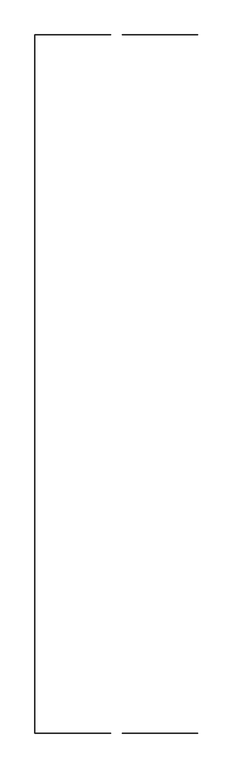
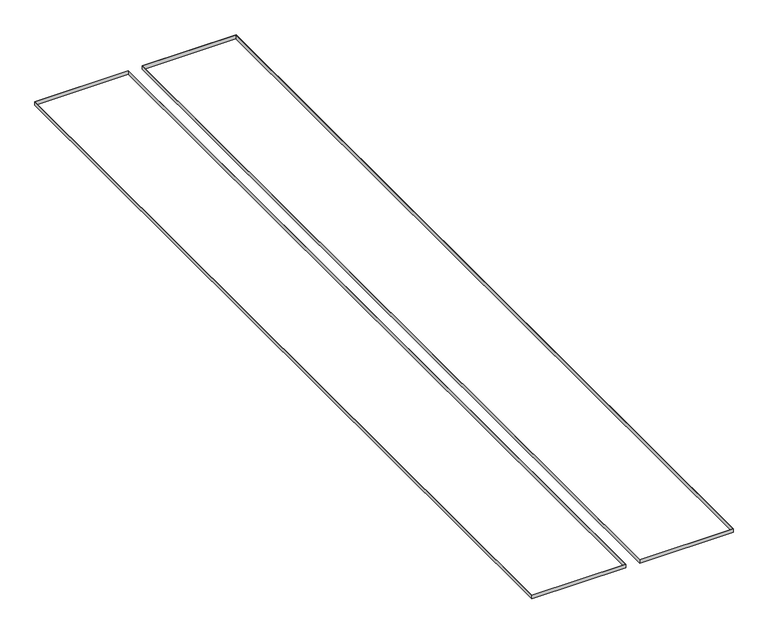
"""IFC4 building model written with IfcOpenShell, lengths in millimetres: furniture geometry."""

from ifc_helpers import new_model, si_unit, frame, origin, place, context, project, spatial, polyline, outline, extrude, source, transform, mapped, element, save


def furniture_3c339b53(model_context):
    return source(origin(), model_context, "Body", "SweptSolid", [
        extrude(outline(polyline([(43386.2482107, 10869.72759), (42723.8482107, 10869.72759), (42723.8482107, 16967.72759), (43386.2482107, 16967.72759), (43386.2482107, 10869.72759)]), holes=[polyline([(43385.2482107, 16966.72759), (42724.8482107, 16966.72759), (42724.8482107, 10870.72759), (43385.2482107, 10870.72759), (43385.2482107, 16966.72759)])]), frame((0.0, 0.0, 709.6), z_axis=(0.0, 0.0, 1.0), x_axis=(1.0, 0.0, 0.0)), (0.0, 0.0, 1.0), 27.0),
        extrude(outline(polyline([(42624.2482107, 10869.72759), (41961.8482107, 10869.72759), (41961.8482107, 16967.72759), (42624.2482107, 16967.72759), (42624.2482107, 10869.72759)]), holes=[polyline([(42623.2482107, 16966.72759), (41962.8482107, 16966.72759), (41962.8482107, 10870.72759), (42623.2482107, 10870.72759), (42623.2482107, 16966.72759)])]), frame((0.0, 0.0, 709.6), z_axis=(0.0, 0.0, 1.0), x_axis=(1.0, 0.0, 0.0)), (0.0, 0.0, 1.0), 27.0),
    ])


if __name__ == "__main__":
    model = new_model("IFC4")
    model_context = context("Model", 3, world=origin())
    ifc_project = project(units=[si_unit("LENGTHUNIT", "METRE", prefix="MILLI")], contexts=[model_context])
    site = spatial("IfcSite", under=ifc_project)
    building = spatial("IfcBuilding", under=site)
    placement = place(None, origin())
    furniture_shape = furniture_3c339b53(model_context)
    element("IfcFurniture", 1, at=placement, inside=building, context=model_context, shape_type="MappedRepresentation", body=[
        mapped(furniture_shape, transform((0.0, 0.0, 0.0), x_axis=(1.0, 0.0, 0.0), y_axis=(0.0, 1.0, 0.0), z_axis=(0.0, 0.0, 1.0))),
    ])
    save(model, "model.ifc")
